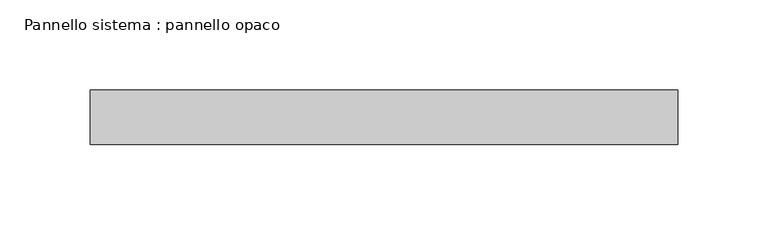
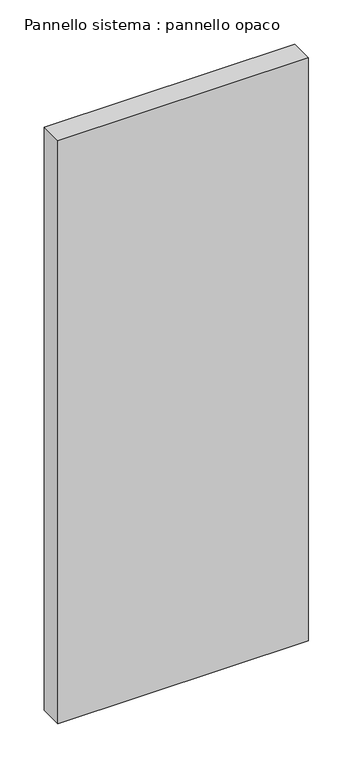
"""IFC4 building model written with IfcOpenShell, lengths in millimetres: plate geometry, Pannello sistema : pannello opaco."""

from ifc_helpers import new_model, si_unit, origin, origin_with_axes, place, context, project, spatial, polyline, outline, extrude, source, transform, mapped, element, save


def pannello_sistema_pannello_opaco_7503699d(model_context):
    return source(origin(), model_context, "Body", "SweptSolid", [
        extrude(outline(polyline([(162.550133, -15.0), (-162.550133, -15.0), (-162.550133, 15.0), (162.550133, 15.0), (162.550133, -15.0)])), origin_with_axes(), (0.0, 0.0, 1.0), 800.0),
    ])


if __name__ == "__main__":
    model = new_model("IFC4")
    model_context = context("Model", 3, world=origin())
    ifc_project = project(units=[si_unit("LENGTHUNIT", "METRE", prefix="MILLI")], contexts=[model_context])
    site = spatial("IfcSite", under=ifc_project)
    building = spatial("IfcBuilding", under=site)
    placement = place(None, origin())
    pannello_sistema_pannello_opaco_shape = pannello_sistema_pannello_opaco_7503699d(model_context)
    element("IfcPlate", 1, ObjectType="Pannello sistema : pannello opaco", at=placement, inside=building, context=model_context, shape_type="MappedRepresentation", body=[
        mapped(pannello_sistema_pannello_opaco_shape, transform((0.0, 0.0, 0.0), x_axis=(1.0, 0.0, 0.0), y_axis=(0.0, 1.0, 0.0), z_axis=(0.0, 0.0, 1.0))),
    ])
    save(model, "model.ifc")
